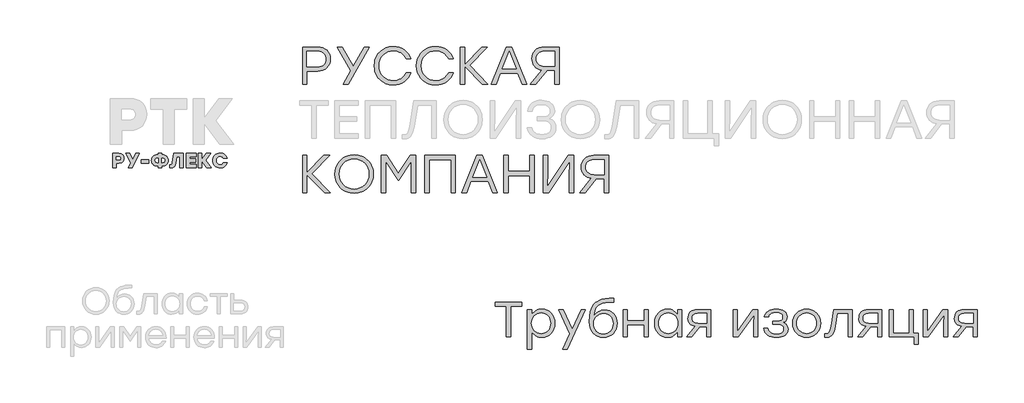
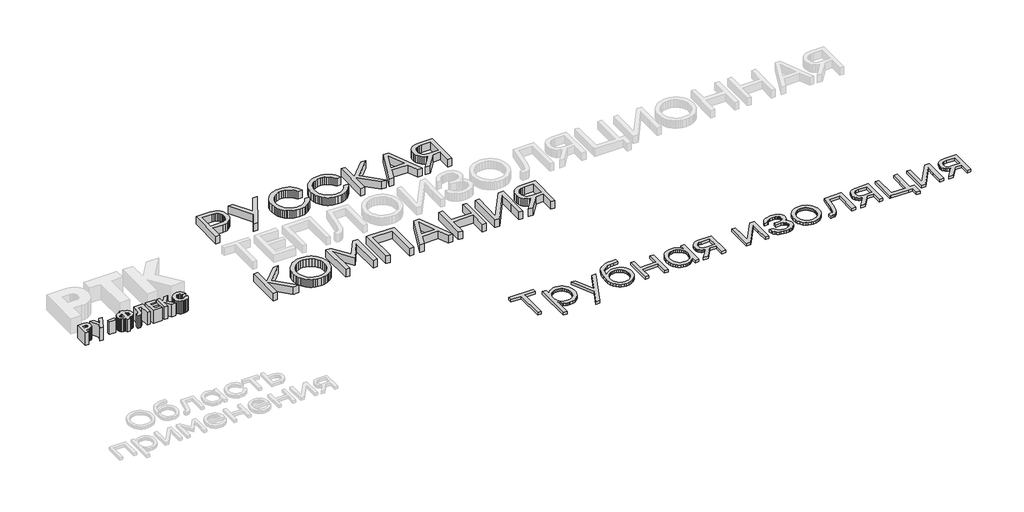
# One storey, part 34 of 41: 4 proxies.
"""IFC4 building model written with IfcOpenShell, lengths in millimetres."""

from ifc_helpers import new_model, si_unit, origin, origin_with_axes, place, context, project, spatial, polyline, outline, extrude, element, save

model = new_model("IFC4")

# Units and contexts
model_context = context("Model", 3, world=origin())
ifc_project = project(units=[si_unit("LENGTHUNIT", "METRE", prefix="MILLI")], contexts=[model_context])

# Site, building, storey
site = spatial("IfcSite", under=ifc_project)
building = spatial("IfcBuilding", under=site)
storey = spatial("IfcBuildingStorey", under=building, Elevation=0.0)

# Proxies
placement = place(None, origin())
element("IfcBuildingElementProxy", 1, Name="Generic Models", at=placement, inside=storey, context=model_context, shape_type="SweptSolid", body=[
    extrude(outline(polyline([(5211.6702065, -870.5811482), (5261.4552077, -874.188442), (5305.4598465, -885.0103236), (5343.6841229, -903.0467928), (5376.1280368, -928.2978498), (5401.9875529, -959.2532117), (5420.4586359, -994.402596), (5431.5412857, -1033.7460027), (5435.2355022, -1077.2834318), (5431.5086896, -1121.4401854), (5420.3282518, -1161.4246473), (5401.6941887, -1197.2368175), (5375.6065003, -1228.8766961), (5342.9996063, -1254.7362122), (5304.8079259, -1273.2072952), (5261.0314593, -1284.2899449), (5211.6702065, -1287.9841615), (5028.7847546, -1287.9841615), (5028.7847546, -1516.9386674), (4952.118895, -1516.9386674), (4952.118895, -870.5811482), (5211.6702065, -870.5811482)]), holes=[polyline([(5208.8886787, -1214.9690571), (5243.1959989, -1212.5460857), (5273.1028553, -1205.2771713), (5298.6092478, -1193.1623139), (5319.7151764, -1176.2015136), (5336.257661, -1155.5464968), (5348.0737214, -1132.3489896), (5355.1633577, -1106.6089923), (5357.5265697, -1078.3265047), (5355.1633577, -1050.0983438), (5348.0737214, -1024.5213266), (5336.257661, -1001.595453), (5319.7151764, -981.3207232), (5298.6092478, -964.7402099), (5273.1028553, -952.8969861), (5243.1959989, -945.7910518), (5208.8886787, -943.4224071), (5028.7847546, -943.4224071), (5028.7847546, -1214.9690571), (5208.8886787, -1214.9690571)])]), origin_with_axes(), (0.0, 0.0, 1.0), 150.0),
    extrude(outline(polyline([(6110.7990631, -870.5811482), (5745.2020048, -1516.9386674), (5658.453107, -1516.9386674), (5792.3141317, -1282.4211059), (5556.7534974, -870.5811482), (5643.6762407, -870.5811482), (5834.7324304, -1200.1921908), (6024.9193928, -870.5811482), (6110.7990631, -870.5811482)])), origin_with_axes(), (0.0, 0.0, 1.0), 150.0),
    extrude(outline(polyline([(6527.1590035, -1527.0217056), (6458.6475838, -1521.078363), (6426.6613724, -1513.6491848), (6396.1881601, -1503.2483353), (6367.2279467, -1489.8758145), (6339.7807323, -1473.5316224), (6313.846517, -1454.2157591), (6289.4253006, -1431.9282244), (6267.2396286, -1407.4037873), (6248.0120461, -1381.3772165), (6231.7425533, -1353.8485121), (6218.43115, -1324.817674), (6208.0778364, -1294.2847022), (6200.6826124, -1262.2495968), (6194.7664332, -1193.672985), (6200.6826124, -1125.0963732), (6208.0778364, -1093.0612678), (6218.43115, -1062.5282961), (6231.7425533, -1033.497458), (6248.0120461, -1005.9687536), (6267.2396286, -979.9421828), (6289.4253006, -955.4177457), (6313.846517, -933.130211), (6339.7807323, -913.8143476), (6367.2279467, -897.4701556), (6396.1881601, -884.0976348), (6426.6613724, -873.6967853), (6458.6475838, -866.2676071), (6527.1590035, -860.3242645), (6579.6277445, -863.9913177), (6628.9020746, -874.9924774), (6674.9819939, -893.3277436), (6717.8675023, -918.9971162), (6756.0809133, -950.8380036), (6788.1445403, -987.6878141), (6814.0583831, -1029.5465477), (6833.8224419, -1076.4142043), (6751.5935267, -1076.4142043), (6734.9423887, -1045.3175929), (6714.5427074, -1017.5675071), (6690.3944828, -993.1639469), (6662.4977148, -972.1069124), (6631.656439, -955.1461121), (6598.6746906, -943.0312547), (6563.5524696, -935.7623403), (6526.2897761, -933.3393689), (6474.0709381, -937.984303), (6426.4155441, -951.9191052), (6383.3235941, -975.1437757), (6344.7950881, -1007.6583144), (6313.0791521, -1047.1592685), (6290.4249122, -1091.3431855), (6276.8323682, -1140.2100652), (6272.3015202, -1193.7599078), (6276.8323682, -1247.3097503), (6290.4249122, -1296.1766301), (6313.0791521, -1340.360547), (6344.7950881, -1379.8615012), (6383.3235941, -1412.3760398), (6426.4155441, -1435.6007103), (6474.0709381, -1449.5355126), (6526.2897761, -1454.1804467), (6563.5524696, -1451.7574752), (6598.6746906, -1444.4885608), (6631.656439, -1432.3737035), (6662.4977148, -1415.4129032), (6690.3944828, -1394.3450033), (6714.5427074, -1369.9088471), (6734.9423887, -1342.1044346), (6751.5935267, -1310.9317657), (6833.8224419, -1310.9317657), (6814.0583831, -1357.8700471), (6788.1445403, -1399.7668094), (6756.0809133, -1436.6220525), (6717.8675023, -1468.4357766), (6674.9819939, -1494.0671205), (6628.9020746, -1512.3752233), (6579.6277445, -1523.360085), (6527.1590035, -1527.0217056)])), origin_with_axes(), (0.0, 0.0, 1.0), 150.0),
    extrude(outline(polyline([(7261.4823389, -1527.0217056), (7192.9709192, -1521.078363), (7160.9847078, -1513.6491848), (7130.5114954, -1503.2483353), (7101.5512821, -1489.8758145), (7074.1040677, -1473.5316224), (7048.1698524, -1454.2157591), (7023.748636, -1431.9282244), (7001.5629639, -1407.4037873), (6982.3353815, -1381.3772165), (6966.0658886, -1353.8485121), (6952.7544854, -1324.817674), (6942.4011718, -1294.2847022), (6935.0059478, -1262.2495968), (6929.0897685, -1193.672985), (6935.0059478, -1125.0963732), (6942.4011718, -1093.0612678), (6952.7544854, -1062.5282961), (6966.0658886, -1033.497458), (6982.3353815, -1005.9687536), (7001.5629639, -979.9421828), (7023.748636, -955.4177457), (7048.1698524, -933.130211), (7074.1040677, -913.8143476), (7101.5512821, -897.4701556), (7130.5114954, -884.0976348), (7160.9847078, -873.6967853), (7192.9709192, -866.2676071), (7261.4823389, -860.3242645), (7313.9510798, -863.9913177), (7363.2254099, -874.9924774), (7409.3053292, -893.3277436), (7452.1908377, -918.9971162), (7490.4042487, -950.8380036), (7522.4678757, -987.6878141), (7548.3817185, -1029.5465477), (7568.1457773, -1076.4142043), (7485.9168621, -1076.4142043), (7469.2657241, -1045.3175929), (7448.8660428, -1017.5675071), (7424.7178181, -993.1639469), (7396.8210502, -972.1069124), (7365.9797744, -955.1461121), (7332.998026, -943.0312547), (7297.875805, -935.7623403), (7260.6131115, -933.3393689), (7208.3942734, -937.984303), (7160.7388794, -951.9191052), (7117.6469294, -975.1437757), (7079.1184235, -1007.6583144), (7047.4024875, -1047.1592685), (7024.7482475, -1091.3431855), (7011.1557036, -1140.2100652), (7006.6248556, -1193.7599078), (7011.1557036, -1247.3097503), (7024.7482475, -1296.1766301), (7047.4024875, -1340.360547), (7079.1184235, -1379.8615012), (7117.6469294, -1412.3760398), (7160.7388794, -1435.6007103), (7208.3942734, -1449.5355126), (7260.6131115, -1454.1804467), (7297.875805, -1451.7574752), (7332.998026, -1444.4885608), (7365.9797744, -1432.3737035), (7396.8210502, -1415.4129032), (7424.7178181, -1394.3450033), (7448.8660428, -1369.9088471), (7469.2657241, -1342.1044346), (7485.9168621, -1310.9317657), (7568.1457773, -1310.9317657), (7548.3817185, -1357.8700471), (7522.4678757, -1399.7668094), (7490.4042487, -1436.6220525), (7452.1908377, -1468.4357766), (7409.3053292, -1494.0671205), (7363.2254099, -1512.3752233), (7313.9510798, -1523.360085), (7261.4823389, -1527.0217056)])), origin_with_axes(), (0.0, 0.0, 1.0), 150.0),
    extrude(outline(polyline([(8168.4342425, -1516.9386674), (8069.6900061, -1516.9386674), (7765.8080955, -1202.9737186), (7765.8080955, -1516.9386674), (7689.1422359, -1516.9386674), (7689.1422359, -870.5811482), (7765.8080955, -870.5811482), (7765.8080955, -1173.4199858), (8059.6069679, -870.5811482), (8157.4819768, -870.5811482), (7851.6877659, -1187.3276248), (8168.4342425, -1516.9386674)])), origin_with_axes(), (0.0, 0.0, 1.0), 150.0),
    extrude(outline(polyline([(8763.6811886, -1516.9386674), (8687.015329, -1322.9271043), (8386.9580191, -1322.9271043), (8310.2921595, -1516.9386674), (8229.1063173, -1516.9386674), (8487.6145558, -870.5811482), (8586.3587922, -870.5811482), (8845.0408763, -1516.9386674), (8763.6811886, -1516.9386674)]), holes=[polyline([(8416.5117518, -1250.0858454), (8658.5046692, -1250.0858454), (8537.5082105, -943.4224071), (8416.5117518, -1250.0858454)])]), origin_with_axes(), (0.0, 0.0, 1.0), 150.0),
    extrude(outline(polyline([(9151.5304691, -870.5811482), (9407.2571799, -870.5811482), (9407.2571799, -1516.9386674), (9330.7651658, -1516.9386674), (9330.7651658, -1271.2949948), (9196.7302957, -1271.2949948), (9002.8925781, -1516.9386674), (8907.7990969, -1516.9386674), (9108.0690975, -1268.513467), (9068.4757879, -1259.9461441), (9033.6632292, -1246.239514), (9003.6314214, -1227.3935768), (8978.3803645, -1203.4083323), (8958.3772682, -1175.153008), (8944.0893423, -1143.4968315), (8935.5165867, -1108.4398026), (8932.6590015, -1069.9819213), (8936.239132, -1027.3789118), (8946.9795235, -989.1003087), (8964.8801759, -955.1461121), (8989.9410894, -925.516322), (9021.5212085, -901.4821834), (9058.9794782, -884.3149416), (9102.3158984, -874.0145966), (9151.5304691, -870.5811482)]), holes=[polyline([(9158.8319796, -1202.1044911), (9330.7651658, -1202.1044911), (9330.7651658, -943.4224071), (9158.8319796, -943.4224071), (9124.2421604, -945.6443697), (9094.1831892, -952.3102576), (9068.6550661, -963.4200707), (9047.6577909, -978.9738091), (9031.2674211, -998.1131106), (9019.5600141, -1019.9796132), (9012.5355699, -1044.5733169), (9010.1940885, -1071.8942217), (9012.5355699, -1099.5519521), (9019.5600141, -1124.4607507), (9031.2674211, -1146.6206176), (9047.6577909, -1166.0315527), (9068.6550661, -1181.8134632), (9094.1831892, -1193.0862565), (9124.2421604, -1199.8499325), (9158.8319796, -1202.1044911)])]), origin_with_axes(), (0.0, 0.0, 1.0), 150.0),
])
element("IfcBuildingElementProxy", 2, Name="Generic Models", at=placement, inside=storey, context=model_context, shape_type="SweptSolid", body=[
    extrude(outline(polyline([(5431.4109015, -3396.9386674), (5332.6666652, -3396.9386674), (5028.7847546, -3082.9737186), (5028.7847546, -3396.9386674), (4952.118895, -3396.9386674), (4952.118895, -2750.5811482), (5028.7847546, -2750.5811482), (5028.7847546, -3053.4199858), (5322.5836269, -2750.5811482), (5420.4586359, -2750.5811482), (5114.664425, -3067.3276248), (5431.4109015, -3396.9386674)])), origin_with_axes(), (0.0, 0.0, 1.0), 150.0),
    extrude(outline(polyline([(5610.6455982, -2835.9392821), (5635.4674741, -2813.5295124), (5661.6909792, -2794.1077119), (5689.3161136, -2777.6738808), (5718.3428772, -2764.2280189), (5748.77127, -2753.7701263), (5780.601292, -2746.3002031), (5848.4662239, -2740.3242645), (5916.2713963, -2746.3002031), (5948.0267191, -2753.7701263), (5978.350533, -2764.2280189), (6007.242838, -2777.6738808), (6034.7036341, -2794.1077119), (6060.7329212, -2813.5295124), (6085.3306994, -2835.9392821), (6107.7200966, -2860.5710145), (6127.1242409, -2886.6587028), (6143.5431322, -2914.2023471), (6156.9767705, -2943.2019473), (6167.4251559, -2973.6575035), (6174.8882883, -3005.5690157), (6180.8587942, -3073.7599078), (6174.8556923, -3141.9453672), (6167.3518148, -3173.8500885), (6156.8463864, -3204.2961375), (6143.339407, -3233.2835142), (6126.8308766, -3260.8122187), (6107.3207952, -3286.8822508), (6084.8091629, -3311.4936107), (6060.0905078, -3333.8830079), (6033.9593581, -3353.2871522), (6006.4157138, -3369.7060435), (5977.4595749, -3383.1396819), (5947.0909415, -3393.5880672), (5915.3098135, -3401.0511996), (5847.5100737, -3407.0217056), (5779.7103339, -3401.0511996), (5747.9292059, -3393.5880672), (5717.5605725, -3383.1396819), (5688.6044336, -3369.7060435), (5661.0607893, -3353.2871522), (5634.9296396, -3333.8830079), (5610.2109845, -3311.4936107), (5587.6993522, -3286.8822508), (5568.1892708, -3260.8122187), (5551.6807404, -3233.2835142), (5538.173761, -3204.2961375), (5527.6683326, -3173.8500885), (5520.1644551, -3141.9453672), (5514.1613532, -3073.7599078), (5520.1916185, -3005.5690157), (5527.7294501, -2973.6575035), (5538.2824144, -2943.2019473), (5551.8505114, -2914.2023471), (5568.433741, -2886.6587028), (5588.0321033, -2860.5710145), (5610.6455982, -2835.9392821)]), holes=[polyline([(5847.5969964, -2813.3393689), (5795.6715227, -2818.0114663), (5748.026994, -2832.0277587), (5704.6634104, -2855.3882459), (5665.580772, -2888.0929281), (5633.2563768, -2927.7242664), (5610.1675231, -2971.8647219), (5596.3142109, -3020.5142948), (5591.6964402, -3073.672985), (5596.3142109, -3126.8371079), (5610.1675231, -3175.5029788), (5633.2563768, -3219.6705977), (5665.580772, -3259.3399647), (5704.6634104, -3292.0826756), (5748.026994, -3315.4703262), (5795.6715227, -3329.5029166), (5847.5969964, -3334.1804467), (5899.8701612, -3329.5355126), (5947.6885354, -3315.6007103), (5991.0521189, -3292.3760398), (6029.9609119, -3259.8615012), (6062.0571348, -3220.360547), (6084.9830084, -3176.1766301), (6098.7385325, -3127.3097503), (6103.3237072, -3073.7599078), (6098.7385325, -3020.2100652), (6084.9830084, -2971.3431855), (6062.0571348, -2927.1592685), (6029.9609119, -2887.6583144), (5991.0521189, -2855.1437757), (5947.6885354, -2831.9191052), (5899.8701612, -2817.984303), (5847.5969964, -2813.3393689)])]), origin_with_axes(), (0.0, 0.0, 1.0), 150.0),
    extrude(outline(polyline([(6820.2624939, -2750.5811482), (6914.4867477, -2750.5811482), (6914.4867477, -3396.9386674), (6837.8208881, -3396.9386674), (6837.8208881, -2849.3253846), (6618.9494205, -3179.9795001), (6611.64791, -3179.9795001), (6392.7764424, -2849.3253846), (6392.7764424, -3396.9386674), (6316.1105828, -3396.9386674), (6316.1105828, -2750.5811482), (6410.3348365, -2750.5811482), (6615.2986652, -3058.9830414), (6820.2624939, -2750.5811482)])), origin_with_axes(), (0.0, 0.0, 1.0), 150.0),
    extrude(outline(polyline([(7605.5225569, -2750.5811482), (7605.5225569, -3396.9386674), (7528.8566973, -3396.9386674), (7528.8566973, -2823.4224071), (7153.8719827, -2823.4224071), (7153.8719827, -3396.9386674), (7077.2061231, -3396.9386674), (7077.2061231, -2750.5811482), (7153.8719827, -2750.5811482), (7605.5225569, -2750.5811482)])), origin_with_axes(), (0.0, 0.0, 1.0), 150.0),
    extrude(outline(polyline([(8251.880076, -3396.9386674), (8175.2142164, -3202.9271043), (7875.1569066, -3202.9271043), (7798.491047, -3396.9386674), (7717.3052047, -3396.9386674), (7975.8134433, -2750.5811482), (8074.5576797, -2750.5811482), (8333.2397637, -3396.9386674), (8251.880076, -3396.9386674)]), holes=[polyline([(7904.7106393, -3130.0858454), (8146.7035566, -3130.0858454), (8025.707098, -2823.4224071), (7904.7106393, -3130.0858454)])]), origin_with_axes(), (0.0, 0.0, 1.0), 150.0),
    extrude(outline(polyline([(8897.3683677, -2750.5811482), (8974.0342273, -2750.5811482), (8974.0342273, -3396.9386674), (8897.3683677, -3396.9386674), (8897.3683677, -3099.6628853), (8522.3836532, -3099.6628853), (8522.3836532, -3396.9386674), (8445.7177936, -3396.9386674), (8445.7177936, -2750.5811482), (8522.3836532, -2750.5811482), (8522.3836532, -3026.6477809), (8897.3683677, -3026.6477809), (8897.3683677, -2750.5811482)])), origin_with_axes(), (0.0, 0.0, 1.0), 150.0),
    extrude(outline(polyline([(9565.9781092, -2750.5811482), (9660.2023629, -2750.5811482), (9660.2023629, -3396.9386674), (9583.5365033, -3396.9386674), (9583.5365033, -3126.4350902), (9589.9687863, -2852.9761398), (9225.2409555, -3396.9386674), (9131.0167017, -3396.9386674), (9131.0167017, -2750.5811482), (9207.6825613, -2750.5811482), (9207.6825613, -3021.0847253), (9201.2502783, -3294.3698303), (9565.9781092, -2750.5811482)])), origin_with_axes(), (0.0, 0.0, 1.0), 150.0),
    extrude(outline(polyline([(10008.2410271, -2750.5811482), (10263.9677378, -2750.5811482), (10263.9677378, -3396.9386674), (10187.4757237, -3396.9386674), (10187.4757237, -3151.2949948), (10053.4408536, -3151.2949948), (9859.603136, -3396.9386674), (9764.5096549, -3396.9386674), (9964.7796554, -3148.513467), (9925.1863458, -3139.9461441), (9890.3737872, -3126.239514), (9860.3419793, -3107.3935768), (9835.0909224, -3083.4083323), (9815.0878261, -3055.153008), (9800.7999002, -3023.4968315), (9792.2271446, -2988.4398026), (9789.3695594, -2949.9819213), (9792.9496899, -2907.3789118), (9803.6900814, -2869.1003087), (9821.5907339, -2835.1461121), (9846.6516473, -2805.516322), (9878.2317665, -2781.4821834), (9915.6900361, -2764.3149416), (9959.0264563, -2754.0145966), (10008.2410271, -2750.5811482)]), holes=[polyline([(10015.5425375, -3082.1044911), (10187.4757237, -3082.1044911), (10187.4757237, -2823.4224071), (10015.5425375, -2823.4224071), (9980.9527183, -2825.6443697), (9950.8937472, -2832.3102576), (9925.365624, -2843.4200707), (9904.3683488, -2858.9738091), (9887.977979, -2878.1131106), (9876.2705721, -2899.9796132), (9869.2461279, -2924.5733169), (9866.9046465, -2951.8942217), (9869.2461279, -2979.5519521), (9876.2705721, -3004.4607507), (9887.977979, -3026.6206176), (9904.3683488, -3046.0315527), (9925.365624, -3061.8134632), (9950.8937472, -3073.0862565), (9980.9527183, -3079.8499325), (10015.5425375, -3082.1044911)])]), origin_with_axes(), (0.0, 0.0, 1.0), 150.0),
])
element("IfcBuildingElementProxy", 3, Name="Generic Models", at=placement, inside=storey, context=model_context, shape_type="SweptSolid", body=[
    extrude(outline(polyline([(1763.453803, -2713.7348759), (1800.1730815, -2719.3574891), (1815.5134026, -2726.3857557), (1828.840845, -2736.2253289), (1839.6217227, -2748.6093657), (1847.3223495, -2763.2710231), (1851.9427257, -2780.2103011), (1853.4828511, -2799.4271998), (1851.9322201, -2818.6903232), (1847.280327, -2835.7682755), (1839.527172, -2850.6610568), (1828.6727549, -2863.368667), (1815.2927844, -2873.5318136), (1799.9629689, -2880.791204), (1763.453803, -2886.5987164), (1717.0609404, -2886.5987164), (1717.0609404, -2963.7184461), (1656.3468027, -2963.7184461), (1656.3468027, -2713.7348759), (1763.453803, -2713.7348759)]), holes=[polyline([(1760.9660698, -2828.7084921), (1774.556153, -2826.922535), (1784.2633552, -2821.5646636), (1790.0876766, -2812.634878), (1792.029117, -2800.1331781), (1790.0876766, -2787.6314782), (1784.2633552, -2778.7016926), (1774.556153, -2773.3438213), (1760.9660698, -2771.5578641), (1717.0609404, -2771.5578641), (1717.0609404, -2828.7084921), (1760.9660698, -2828.7084921)])]), origin_with_axes(), (0.0, 0.0, 1.0), 250.0),
    extrude(outline(polyline([(2119.8047773, -2713.7348759), (1995.8887687, -2963.7184461), (1927.9803755, -2963.7184461), (1970.1373681, -2879.0682807), (1885.8906189, -2713.7348759), (1954.0679562, -2713.7348759), (2003.7553845, -2812.9752604), (2052.2998003, -2713.7348759), (2119.8047773, -2713.7348759)])), origin_with_axes(), (0.0, 0.0, 1.0), 250.0),
    extrude(outline(polyline([(2278.3473428, -2829.4480884), (2278.3473428, -2887.2710767), (2155.5071107, -2887.2710767), (2155.5071107, -2829.4480884), (2278.3473428, -2829.4480884)])), origin_with_axes(), (0.0, 0.0, 1.0), 250.0),
    extrude(outline(polyline([(2519.0523405, -2740.1586368), (2540.1035221, -2741.8101218), (2559.3519377, -2746.764577), (2576.7975871, -2755.0220023), (2592.4404703, -2766.5823977), (2605.339283, -2780.8658524), (2614.5527206, -2797.2924557), (2620.0807832, -2815.8622076), (2621.9234707, -2836.5751079), (2620.09339, -2857.2880083), (2614.6031477, -2875.8577601), (2605.4527438, -2892.2843634), (2592.6421784, -2906.5678181), (2577.0623289, -2918.1282135), (2559.6040728, -2926.3856388), (2540.26741, -2931.340094), (2519.0523405, -2932.9915791), (2505.1344817, -2932.9915791), (2505.1344817, -2963.7184461), (2444.420344, -2963.7184461), (2444.420344, -2932.9915791), (2430.5024852, -2932.9915791), (2409.2874157, -2931.340094), (2389.9507528, -2926.3856388), (2372.4924967, -2918.1282135), (2356.9126472, -2906.5678181), (2344.1020818, -2892.2843634), (2334.9516779, -2875.8577601), (2329.4614356, -2857.2880083), (2327.6313549, -2836.5751079), (2329.4719413, -2815.8622076), (2334.9937005, -2797.2924557), (2344.1966325, -2780.8658524), (2357.0807373, -2766.5823977), (2372.7131149, -2755.0220023), (2390.1608654, -2746.764577), (2409.4239889, -2741.8101218), (2430.5024852, -2740.1586368), (2444.420344, -2740.1586368), (2444.420344, -2713.7348759), (2505.1344817, -2713.7348759), (2505.1344817, -2740.1586368), (2519.0523405, -2740.1586368)]), holes=[polyline([(2519.0523405, -2875.1685908), (2536.0798658, -2872.7985206), (2549.2413192, -2865.6883102), (2557.6626323, -2853.6698693), (2560.4697367, -2836.5751079), (2557.6626323, -2819.6904592), (2549.2413192, -2807.6299958), (2536.0798658, -2800.3937177), (2519.0523405, -2797.9816251), (2505.1344817, -2797.9816251), (2505.1344817, -2875.1685908), (2519.0523405, -2875.1685908)]), polyline([(2430.5024852, -2875.1685908), (2444.420344, -2875.1685908), (2444.420344, -2797.9816251), (2430.5024852, -2797.9816251), (2413.4749598, -2800.3937177), (2400.3135064, -2807.6299958), (2391.8921933, -2819.6904592), (2389.0850889, -2836.5751079), (2391.8921933, -2853.6698693), (2400.3135064, -2865.6883102), (2413.4749598, -2872.7985206), (2430.5024852, -2875.1685908)])]), origin_with_axes(), (0.0, 0.0, 1.0), 250.0),
    extrude(outline(polyline([(2715.7849726, -2713.7348759), (2882.9337504, -2713.7348759), (2882.9337504, -2963.7184461), (2822.2196127, -2963.7184461), (2822.2196127, -2771.5578641), (2767.2205378, -2771.5578641), (2748.9995729, -2886.5987164), (2739.3890224, -2922.3682859), (2723.8028696, -2947.9179784), (2702.2411143, -2963.2477939), (2674.7037566, -2968.3577324), (2647.2042191, -2965.1304028), (2647.2042191, -2910.5347441), (2661.8616743, -2911.9467008), (2672.7539116, -2910.2910135), (2680.4188193, -2905.3239515), (2685.6800389, -2895.8016484), (2689.3612117, -2880.4802374), (2715.7849726, -2713.7348759)])), origin_with_axes(), (0.0, 0.0, 1.0), 250.0),
    extrude(outline(polyline([(3106.4935597, -2771.5578641), (2995.0834532, -2771.5578641), (2995.0834532, -2808.7393903), (3096.4753908, -2808.7393903), (3096.4753908, -2866.5623786), (2995.0834532, -2866.5623786), (2995.0834532, -2905.8282218), (3106.4935597, -2905.8282218), (3106.4935597, -2963.7184461), (2934.3693155, -2963.7184461), (2934.3693155, -2713.7348759), (3106.4935597, -2713.7348759), (3106.4935597, -2771.5578641)])), origin_with_axes(), (0.0, 0.0, 1.0), 250.0),
    extrude(outline(polyline([(3365.2178141, -2963.7184461), (3289.5100411, -2963.7184461), (3205.9356523, -2850.4929667), (3205.9356523, -2963.7184461), (3145.2215146, -2963.7184461), (3145.2215146, -2713.7348759), (3205.9356523, -2713.7348759), (3205.9356523, -2820.1695159), (3284.1311585, -2713.7348759), (3358.763155, -2713.7348759), (3268.801343, -2834.4235549), (3365.2178141, -2963.7184461)])), origin_with_axes(), (0.0, 0.0, 1.0), 250.0),
    extrude(outline(polyline([(3519.7934537, -2968.3577324), (3492.9620743, -2966.0359881), (3468.5427877, -2959.0707553), (3446.5355937, -2947.462034), (3426.9404923, -2931.2098242), (3410.8500692, -2911.4970598), (3399.3569098, -2889.5066748), (3392.4610142, -2865.2386692), (3390.1623823, -2838.693043), (3392.4610142, -2812.1495179), (3399.3569098, -2787.8878156), (3410.8500692, -2765.9079363), (3426.9404923, -2746.2098797), (3446.5355937, -2729.9723778), (3468.5427877, -2718.3741621), (3492.9620743, -2711.4152327), (3519.7934537, -2709.0955896), (3541.7145016, -2710.7008499), (3562.0933229, -2715.5166307), (3580.9299177, -2723.5429322), (3598.2242861, -2734.7797542), (3613.3292811, -2748.6093657), (3625.5977559, -2764.4140356), (3635.0297107, -2782.1937641), (3641.6251453, -2801.948551), (3576.6079015, -2801.948551), (3567.2536884, -2787.2742868), (3554.2519206, -2776.1971504), (3538.2245312, -2769.238221), (3519.7934537, -2766.9185779), (3492.0669947, -2771.9192578), (3470.3413515, -2786.9212977), (3456.2974252, -2809.8739984), (3451.6161164, -2838.726661), (3456.2974252, -2867.5793236), (3470.3413515, -2890.5320243), (3492.0669947, -2905.5340641), (3519.7934537, -2910.5347441), (3538.2245312, -2908.2066964), (3554.2519206, -2901.2225535), (3567.2536884, -2890.1370126), (3576.6079015, -2875.504771), (3641.6251453, -2875.504771), (3635.0297107, -2895.2322432), (3625.5977559, -2912.9972638), (3613.3292811, -2928.7998326), (3598.2242861, -2942.6399498), (3580.9299177, -2953.8914797), (3562.0933229, -2961.9282867), (3541.7145016, -2966.7503709), (3519.7934537, -2968.3577324)])), origin_with_axes(), (0.0, 0.0, 1.0), 250.0),
])
element("IfcBuildingElementProxy", 4, Name="Generic Models", at=placement, inside=storey, context=model_context, shape_type="SweptSolid", body=[
    extrude(outline(polyline([(8758.1598092, -5298.1485805), (8758.1598092, -5366.0523892), (8563.5238324, -5366.0523892), (8563.5238324, -5900.6935945), (8491.2443606, -5900.6935945), (8491.2443606, -5366.0523892), (8297.5807533, -5366.0523892), (8297.5807533, -5298.1485805), (8758.1598092, -5298.1485805)])), origin_with_axes(), (0.0, 0.0, 1.0), 50.0),
    extrude(outline(polyline([(9108.861103, -5417.7500384), (9154.9473694, -5422.0801216), (9196.7795189, -5435.0703714), (9234.3575515, -5456.7207878), (9267.6814672, -5487.0313707), (9294.9787172, -5524.0675098), (9314.476753, -5565.8945948), (9326.1755745, -5612.5126258), (9330.0751816, -5663.9216027), (9326.1451879, -5715.3305796), (9314.3552068, -5761.9486106), (9294.7052383, -5803.7756957), (9267.1952824, -5840.8118348), (9233.6586608, -5871.1224177), (9195.9286955, -5892.772834), (9154.0053864, -5905.7630838), (9107.8887335, -5910.0931671), (9078.6518087, -5908.3459405), (9051.0658864, -5903.1042608), (9025.1309666, -5894.3681279), (9000.8470493, -5882.1375418), (8978.5990308, -5866.8379142), (8958.7718074, -5848.8946569), (8941.3653791, -5828.3077698), (8926.3797459, -5805.0772529), (8926.3797459, -6115.9113941), (8854.9105821, -6115.9113941), (8854.9105821, -5427.1496109), (8926.3797459, -5427.1496109), (8926.3797459, -5524.5486301), (8941.3907012, -5500.9332169), (8958.8730959, -5480.0019489), (8978.8269299, -5461.7548261), (9001.2522033, -5446.1918485), (9025.7235043, -5433.7485565), (9051.8154212, -5424.8604909), (9079.5279542, -5419.5276515), (9108.861103, -5417.7500384)]), holes=[polyline([(9095.0858674, -5842.1893584), (9129.2048978, -5839.0696726), (9160.0928251, -5829.7106155), (9187.7496493, -5814.1121869), (9212.1753705, -5792.2743868), (9232.1342689, -5765.5342234), (9246.390625, -5735.228705), (9254.9444386, -5701.3578314), (9257.7957098, -5663.9216027), (9254.9444386, -5626.8854636), (9246.390625, -5593.2424892), (9232.1342689, -5562.9926794), (9212.1753705, -5536.1360343), (9187.7496493, -5514.1209793), (9160.0928251, -5498.3959401), (9129.2048978, -5488.9609165), (9095.0858674, -5485.8159087), (9060.024854, -5488.9609165), (9028.0936551, -5498.3959401), (8999.2922708, -5514.1209793), (8973.6207012, -5536.1360343), (8952.5273715, -5562.9926794), (8937.4607075, -5593.2424892), (8928.4207091, -5626.8854636), (8925.4073763, -5663.9216027), (8928.4207091, -5700.9628063), (8937.4607075, -5734.620974), (8952.5273715, -5764.8961059), (8973.6207012, -5791.788202), (8999.2922708, -5813.8387079), (9028.0936551, -5829.5890693), (9060.024854, -5839.0392861), (9095.0858674, -5842.1893584)])]), origin_with_axes(), (0.0, 0.0, 1.0), 50.0),
    extrude(outline(polyline([(9786.1165129, -5427.1496109), (9862.7716478, -5427.1496109), (9543.348242, -6115.9113941), (9466.6931071, -6115.9113941), (9592.4529056, -5842.9996663), (9400.4099143, -5427.1496109), (9477.0650492, -5427.1496109), (9630.2132575, -5766.3445314), (9786.1165129, -5427.1496109)])), origin_with_axes(), (0.0, 0.0, 1.0), 50.0),
    extrude(outline(polyline([(10195.3220428, -5434.9285675), (10240.6030657, -5438.939592), (10281.802162, -5450.9726655), (10318.9193319, -5471.0277881), (10351.9545754, -5499.1049596), (10379.0745706, -5533.5835641), (10398.4459958, -5572.8429858), (10410.0688509, -5616.8832245), (10413.9431359, -5665.7042803), (10409.6687613, -5717.3867361), (10396.8456375, -5764.014896), (10375.4737645, -5805.5887598), (10345.5531424, -5842.1083276), (10309.170314, -5871.8516949), (10268.4118226, -5893.0969572), (10223.2776682, -5905.8441146), (10173.7678506, -5910.0931671), (10123.8782011, -5905.6314088), (10078.414859, -5892.2461338), (10037.3778242, -5869.9373423), (10000.7670968, -5838.705034), (9970.6084467, -5799.237971), (9948.9276438, -5752.2249149), (9935.7246881, -5697.6658657), (9930.9995797, -5635.5608234), (9935.7398814, -5540.5522128), (9949.9607864, -5460.3722381), (9972.3658021, -5394.6157455), (9986.1511666, -5366.9943723), (10001.6584356, -5342.877581), (10019.4497602, -5321.6930917), (10040.0872915, -5302.8686245), (10063.5710297, -5286.4041792), (10089.9009746, -5272.2997559), (10147.0276872, -5250.6442751), (10207.3956317, -5237.375482), (10276.0489754, -5230.5688949), (10358.0318853, -5228.3000326), (10358.0318853, -5295.5555949), (10273.5370206, -5298.0270343), (10206.099139, -5305.4413523), (10150.3904653, -5319.7432882), (10101.0832247, -5342.877581), (10079.5391613, -5358.0505979), (10061.0134951, -5376.0191774), (10045.5062262, -5396.7833194), (10033.0173544, -5420.3430239), (10015.0487749, -5477.5912827), (10005.0617291, -5549.5061159), (10019.5662419, -5523.5408096), (10037.3119867, -5500.7458332), (10058.2989634, -5481.1211868), (10082.527172, -5464.6668704), (10108.9634698, -5451.6563629), (10136.5747143, -5442.3631433), (10165.3609053, -5436.7872115), (10195.3220428, -5434.9285675)]), holes=[polyline([(10050.6010376, -5798.7568506), (10075.9484841, -5820.3819448), (10104.506776, -5835.8284407), (10136.2759132, -5845.0963382), (10171.2558958, -5848.1856374), (10206.3321025, -5845.0912738), (10238.389912, -5835.808183), (10267.4293242, -5820.336365), (10293.4503392, -5798.6758198), (10314.8981786, -5772.0116229), (10330.2180638, -5741.5288495), (10339.409995, -5707.2274998), (10342.473972, -5669.1075738), (10339.5973787, -5632.588006), (10330.9675987, -5599.6844376), (10316.5846321, -5570.3968685), (10296.4484788, -5544.7252988), (10271.8455027, -5523.8446751), (10244.0620678, -5508.9299438), (10213.0981741, -5499.9811051), (10178.9538216, -5496.9981588), (10144.1004496, -5499.9811051), (10111.8198055, -5508.9299438), (10082.1118892, -5523.8446751), (10054.9767007, -5544.7252988), (10032.3589792, -5570.3462243), (10016.2034638, -5599.4818606), (10006.5101546, -5632.1322078), (10003.2790515, -5668.2972658), (10006.2366757, -5706.776766), (10015.109548, -5741.3465302), (10029.8976687, -5772.0065584), (10050.6010376, -5798.7568506)])]), origin_with_axes(), (0.0, 0.0, 1.0), 50.0),
    extrude(outline(polyline([(10882.7873332, -5427.1496109), (10954.2564971, -5427.1496109), (10954.2564971, -5900.6935945), (10882.7873332, -5900.6935945), (10882.7873332, -5692.282382), (10591.8867683, -5692.282382), (10591.8867683, -5900.6935945), (10520.4176045, -5900.6935945), (10520.4176045, -5427.1496109), (10591.8867683, -5427.1496109), (10591.8867683, -5624.3785733), (10882.7873332, -5624.3785733), (10882.7873332, -5427.1496109)])), origin_with_axes(), (0.0, 0.0, 1.0), 50.0),
    extrude(outline(polyline([(11465.3987709, -5427.1496109), (11536.7058732, -5427.1496109), (11536.7058732, -5900.6935945), (11465.3987709, -5900.6935945), (11465.3987709, -5805.0772529), (11449.987726, -5828.3077698), (11432.2774322, -5848.8946569), (11412.2678896, -5866.8379142), (11389.959098, -5882.1375418), (11365.6650519, -5894.3681279), (11339.6997455, -5903.1042608), (11312.063179, -5908.3459405), (11282.7553522, -5910.0931671), (11236.6690858, -5905.7630838), (11194.8369364, -5892.772834), (11157.2589038, -5871.1224177), (11123.9349881, -5840.8118348), (11096.637738, -5803.7756957), (11077.1397022, -5761.9486106), (11065.4408808, -5715.3305796), (11061.5412736, -5663.9216027), (11065.4408808, -5612.5126258), (11077.1397022, -5565.8945948), (11096.637738, -5524.0675098), (11123.9349881, -5487.0313707), (11157.2589038, -5456.7207878), (11194.8369364, -5435.0703714), (11236.6690858, -5422.0801216), (11282.7553522, -5417.7500384), (11312.0935655, -5419.5276515), (11339.8212917, -5424.8604909), (11365.9385308, -5433.7485565), (11390.4452828, -5446.1918485), (11412.9060071, -5461.7548261), (11432.8851632, -5480.0019489), (11450.3827512, -5500.9332169), (11465.3987709, -5524.5486301), (11465.3987709, -5427.1496109)]), holes=[polyline([(11296.5305879, -5842.1893584), (11331.5916013, -5839.0392861), (11363.5228001, -5829.5890693), (11392.3241844, -5813.8387079), (11417.9957541, -5791.788202), (11439.0890837, -5764.8961059), (11454.1557477, -5734.620974), (11463.1957461, -5700.9628063), (11466.2090789, -5663.9216027), (11463.1957461, -5626.8854636), (11454.1557477, -5593.2424892), (11439.0890837, -5562.9926794), (11417.9957541, -5536.1360343), (11392.3241844, -5514.1209793), (11363.5228001, -5498.3959401), (11331.5916013, -5488.9609165), (11296.5305879, -5485.8159087), (11262.0823699, -5488.9609165), (11231.0171877, -5498.3959401), (11203.3350413, -5514.1209793), (11179.0359307, -5536.1360343), (11159.2542872, -5562.9926794), (11145.1245418, -5593.2424892), (11136.6466945, -5626.8854636), (11133.8207455, -5663.9216027), (11136.6770811, -5701.3578314), (11145.246088, -5735.228705), (11159.5277661, -5765.5342234), (11179.5221155, -5792.2743868), (11203.9731588, -5814.1121869), (11231.6249187, -5829.7106155), (11262.477395, -5839.0696726), (11296.5305879, -5842.1893584)])]), origin_with_axes(), (0.0, 0.0, 1.0), 50.0),
    extrude(outline(polyline([(11811.0761553, -5427.1496109), (12041.851868, -5427.1496109), (12041.851868, -5900.6935945), (11970.3827042, -5900.6935945), (11970.3827042, -5721.6155309), (11846.4055832, -5721.6155309), (11708.6532266, -5900.6935945), (11620.0055335, -5900.6935945), (11768.1298323, -5717.4019294), (11740.4324927, -5710.7371463), (11715.8447099, -5701.114739), (11694.366484, -5688.5347076), (11675.997815, -5672.9970521), (11661.2856607, -5654.5625456), (11650.7769791, -5633.2919611), (11644.4717701, -5609.1852987), (11642.3700338, -5582.2425583), (11645.1149521, -5546.9131304), (11653.3497069, -5515.9593656), (11667.0742983, -5489.3812638), (11686.2887263, -5467.1788251), (11710.5574503, -5449.6660439), (11739.4449298, -5437.1569145), (11772.9511648, -5429.6514368), (11811.0761553, -5427.1496109)]), holes=[polyline([(11817.2344959, -5661.3286172), (11970.3827042, -5661.3286172), (11970.3827042, -5491.8121877), (11813.6691408, -5491.8121877), (11770.3480504, -5497.3526686), (11753.3290506, -5504.2782696), (11739.4044144, -5513.974111), (11728.5741418, -5526.4401928), (11720.8382328, -5541.6765151), (11716.1966874, -5559.6830777), (11714.6495056, -5580.4598808), (11716.2523961, -5599.4134909), (11721.0610675, -5615.839953), (11729.0755199, -5629.739267), (11740.2957532, -5641.1114331), (11754.7217675, -5649.9564511), (11772.3535627, -5656.2743212), (11817.2344959, -5661.3286172)])]), origin_with_axes(), (0.0, 0.0, 1.0), 50.0),
    extrude(outline(polyline([(12768.8601878, -5427.1496109), (12856.6975729, -5427.1496109), (12856.6975729, -5900.6935945), (12785.228409, -5900.6935945), (12785.228409, -5673.4832369), (12789.6040721, -5514.176688), (12516.6923444, -5900.6935945), (12428.8549593, -5900.6935945), (12428.8549593, -5427.1496109), (12500.3241232, -5427.1496109), (12500.3241232, -5654.5220302), (12495.9484601, -5812.8562095), (12768.8601878, -5427.1496109)])), origin_with_axes(), (0.0, 0.0, 1.0), 50.0),
    extrude(outline(polyline([(13297.9912989, -5650.1463671), (13334.050004, -5668.3377812), (13348.1291051, -5680.7456222), (13359.5747054, -5695.3615524), (13374.76798, -5729.2729413), (13379.8324049, -5768.127209), (13376.520271, -5798.7669795), (13366.5838694, -5826.1857758), (13350.0232, -5850.3835978), (13326.838263, -5871.3604457), (13297.9001392, -5888.3060113), (13264.0799099, -5900.4099867), (13225.377575, -5907.672372), (13181.7931345, -5910.0931671), (13135.1193948, -5907.5508258), (13093.6316263, -5899.923802), (13057.3298288, -5887.2120955), (13026.2140023, -5869.4157065), (13000.2841469, -5846.5346349), (12979.5402627, -5818.5688807), (12963.9823494, -5785.518444), (12953.6104073, -5747.3833247), (13026.0519407, -5747.3833247), (13033.5143708, -5772.4142446), (13044.3142568, -5794.1077086), (13058.4515989, -5812.4637166), (13075.9263969, -5827.4822685), (13096.7386509, -5839.1633645), (13120.8883609, -5847.5070045), (13148.375527, -5852.5131885), (13179.200149, -5854.1819165), (13209.4145078, -5852.6220736), (13235.557069, -5847.942545), (13257.6278326, -5840.1433307), (13275.6267986, -5829.2244307), (13289.5944824, -5815.722674), (13299.5713994, -5800.1748896), (13305.5575496, -5782.5810776), (13307.552933, -5762.9412379), (13306.0057512, -5744.3674597), (13301.3642058, -5728.2701852), (13293.6282968, -5714.6494145), (13282.7980242, -5703.5051476), (13268.873388, -5694.8373844), (13251.8543882, -5688.646125), (13208.5332978, -5683.6931174), (13112.9169562, -5683.6931174), (13112.9169562, -5626.9715588), (13188.5997215, -5626.9715588), (13233.8351645, -5622.6161534), (13251.6062314, -5617.1718967), (13266.1461952, -5609.5499373), (13277.455056, -5599.7502751), (13285.5328137, -5587.7729103), (13290.3794683, -5573.6178428), (13291.9950198, -5557.2850725), (13290.1920846, -5539.5697143), (13284.7832788, -5523.5357452), (13275.7686025, -5509.1831651), (13263.1480557, -5496.511974), (13246.6582883, -5486.1602896), (13226.0359502, -5478.7662293), (13201.2810414, -5474.3297931), (13172.3935619, -5472.850981), (13123.4408311, -5477.9660501), (13102.9678935, -5484.3598865), (13085.1639079, -5493.3112575), (13070.0288741, -5504.820163), (13057.5627923, -5518.8866031), (13047.7656624, -5535.5105778), (13040.6374844, -5554.692087), (12968.3580125, -5554.692087), (12977.9652265, -5524.1434762), (12992.2013248, -5497.1602204), (13011.0663075, -5473.7423198), (13034.5601745, -5453.8897743), (13062.6322816, -5438.0786398), (13095.2319845, -5426.7849723), (13132.3592833, -5420.0087719), (13174.0141779, -5417.7500384), (13216.3679631, -5420.0898027), (13253.8092562, -5427.1090955), (13286.3380572, -5438.807917), (13313.9543661, -5455.186267), (13335.969421, -5475.3325492), (13351.6944602, -5498.335167), (13361.1294838, -5524.1941204), (13364.2744916, -5552.9094094), (13360.1317921, -5585.1191517), (13347.7036934, -5612.061892), (13326.9901957, -5633.7376305), (13297.9912989, -5650.1463671)])), origin_with_axes(), (0.0, 0.0, 1.0), 50.0),
    extrude(outline(polyline([(13701.2005498, -5417.7500384), (13750.4470173, -5422.1358303), (13795.7634911, -5435.2932061), (13837.1499712, -5457.2221658), (13874.6064575, -5487.9227094), (13905.6615109, -5525.2424564), (13927.8436918, -5567.029026), (13941.1530004, -5613.2824184), (13945.5894366, -5664.0026335), (13941.1783225, -5714.7177842), (13927.9449803, -5760.9559834), (13905.88941, -5802.7172309), (13875.0116115, -5840.0015268), (13837.6817358, -5870.6666194), (13796.2699336, -5892.570257), (13750.7762049, -5905.7124396), (13701.2005498, -5910.0931671), (13651.9085025, -5905.682053), (13606.6173508, -5892.4487108), (13565.3270948, -5870.3931405), (13528.0377344, -5839.515342), (13497.159936, -5802.0740489), (13475.1043656, -5760.3279947), (13461.8710234, -5714.2771793), (13457.4599094, -5663.9216027), (13461.90141, -5613.5660262), (13475.2259118, -5567.5152108), (13497.4334149, -5525.7691565), (13528.5239192, -5488.3278634), (13565.9652123, -5457.450065), (13607.2250818, -5435.3944946), (13652.3035276, -5422.1611524), (13701.2005498, -5417.7500384)]), holes=[polyline([(13823.3949932, -5536.2170651), (13797.0346617, -5514.1665591), (13767.8686389, -5498.4161978), (13735.8969246, -5488.965981), (13701.119519, -5485.8159087), (13666.3674355, -5488.9609165), (13634.4716876, -5498.3959401), (13605.4322754, -5514.1209793), (13579.2491988, -5536.1360343), (13557.5886536, -5562.9926794), (13542.1168356, -5593.2424892), (13532.8337448, -5626.8854636), (13529.7393812, -5663.9216027), (13532.8337448, -5700.9628063), (13542.1168356, -5734.620974), (13557.5886536, -5764.8961059), (13579.2491988, -5791.788202), (13605.4373398, -5813.8387079), (13634.4919453, -5829.5890693), (13666.4130153, -5839.0392861), (13701.2005498, -5842.1893584), (13736.2716921, -5839.0392861), (13768.395339, -5829.5890693), (13797.5714908, -5813.8387079), (13823.8001472, -5791.788202), (13845.4606924, -5764.8961059), (13860.9325104, -5734.620974), (13870.2156012, -5700.9628063), (13873.3099648, -5663.9216027), (13870.190279, -5626.890528), (13860.8312219, -5593.2627469), (13845.2327933, -5563.0382592), (13823.3949932, -5536.2170651)])]), origin_with_axes(), (0.0, 0.0, 1.0), 50.0),
    extrude(outline(polyline([(14174.4204102, -5427.1496109), (14496.2747399, -5427.1496109), (14496.2747399, -5900.6935945), (14424.8055761, -5900.6935945), (14424.8055761, -5494.4051733), (14234.5452623, -5494.4051733), (14199.377896, -5716.4295598), (14189.6136848, -5764.8150751), (14177.6616421, -5805.7660147), (14163.5217679, -5839.2823785), (14147.1940621, -5865.3641666), (14128.3442727, -5884.9331043), (14106.6381477, -5898.910917), (14082.075687, -5907.2976046), (14054.6568907, -5910.0931671), (14015.9241693, -5907.5001816), (14015.9241693, -5842.1893584), (14040.8816551, -5843.8099743), (14058.2982122, -5842.0627477), (14073.4357782, -5836.821068), (14086.2943529, -5828.0849351), (14096.8739365, -5815.854349), (14114.2753004, -5775.9669387), (14128.7190401, -5712.2159583), (14174.4204102, -5427.1496109)])), origin_with_axes(), (0.0, 0.0, 1.0), 50.0),
    extrude(outline(polyline([(14777.451609, -5427.1496109), (15008.2273218, -5427.1496109), (15008.2273218, -5900.6935945), (14936.7581579, -5900.6935945), (14936.7581579, -5721.6155309), (14812.781037, -5721.6155309), (14675.0286803, -5900.6935945), (14586.3809873, -5900.6935945), (14734.5052861, -5717.4019294), (14706.8079464, -5710.7371463), (14682.2201637, -5701.114739), (14660.7419378, -5688.5347076), (14642.3732687, -5672.9970521), (14627.6611145, -5654.5625456), (14617.1524329, -5633.2919611), (14610.8472239, -5609.1852987), (14608.7454876, -5582.2425583), (14611.4904058, -5546.9131304), (14619.7251607, -5515.9593656), (14633.4497521, -5489.3812638), (14652.6641801, -5467.1788251), (14676.9329041, -5449.6660439), (14705.8203836, -5437.1569145), (14739.3266186, -5429.6514368), (14777.451609, -5427.1496109)]), holes=[polyline([(14783.6099497, -5661.3286172), (14936.7581579, -5661.3286172), (14936.7581579, -5491.8121877), (14780.0445946, -5491.8121877), (14736.7235042, -5497.3526686), (14719.7045044, -5504.2782696), (14705.7798682, -5513.974111), (14694.9495956, -5526.4401928), (14687.2136866, -5541.6765151), (14682.5721412, -5559.6830777), (14681.0249594, -5580.4598808), (14682.6278499, -5599.4134909), (14687.4365213, -5615.839953), (14695.4509737, -5629.739267), (14706.671207, -5641.1114331), (14721.0972212, -5649.9564511), (14738.7290164, -5656.2743212), (14783.6099497, -5661.3286172)])]), origin_with_axes(), (0.0, 0.0, 1.0), 50.0),
    extrude(outline(polyline([(15553.4025308, -5833.6000938), (15639.6192999, -5833.6000938), (15639.6192999, -6027.263701), (15568.1501361, -6027.263701), (15568.1501361, -5900.6935945), (15482.0954286, -5900.6935945), (15159.2687293, -5900.6935945), (15135.9318595, -5900.6935945), (15135.9318595, -5427.1496109), (15207.4010233, -5427.1496109), (15207.4010233, -5833.6000938), (15482.0954286, -5833.6000938), (15482.0954286, -5427.1496109), (15553.4025308, -5427.1496109), (15553.4025308, -5833.6000938)])), origin_with_axes(), (0.0, 0.0, 1.0), 50.0),
    extrude(outline(polyline([(16067.1377903, -5427.1496109), (16154.9751753, -5427.1496109), (16154.9751753, -5900.6935945), (16083.5060114, -5900.6935945), (16083.5060114, -5673.4832369), (16087.8816745, -5514.176688), (15814.9699468, -5900.6935945), (15727.1325618, -5900.6935945), (15727.1325618, -5427.1496109), (15798.6017256, -5427.1496109), (15798.6017256, -5654.5220302), (15794.2260625, -5812.8562095), (16067.1377903, -5427.1496109)])), origin_with_axes(), (0.0, 0.0, 1.0), 50.0),
    extrude(outline(polyline([(16436.9623524, -5427.1496109), (16667.7380651, -5427.1496109), (16667.7380651, -5900.6935945), (16596.2689013, -5900.6935945), (16596.2689013, -5721.6155309), (16472.2917803, -5721.6155309), (16334.5394237, -5900.6935945), (16245.8917307, -5900.6935945), (16394.0160294, -5717.4019294), (16366.3186898, -5710.7371463), (16341.730907, -5701.114739), (16320.2526811, -5688.5347076), (16301.8840121, -5672.9970521), (16287.1718578, -5654.5625456), (16276.6631762, -5633.2919611), (16270.3579672, -5609.1852987), (16268.2562309, -5582.2425583), (16271.0011492, -5546.9131304), (16279.2359041, -5515.9593656), (16292.9604955, -5489.3812638), (16312.1749234, -5467.1788251), (16336.4436475, -5449.6660439), (16365.3311269, -5437.1569145), (16398.8373619, -5429.6514368), (16436.9623524, -5427.1496109)]), holes=[polyline([(16443.120693, -5661.3286172), (16596.2689013, -5661.3286172), (16596.2689013, -5491.8121877), (16439.5553379, -5491.8121877), (16396.2342475, -5497.3526686), (16379.2152477, -5504.2782696), (16365.2906115, -5513.974111), (16354.460339, -5526.4401928), (16346.72443, -5541.6765151), (16342.0828846, -5559.6830777), (16340.5357028, -5580.4598808), (16342.1385932, -5599.4134909), (16346.9472646, -5615.839953), (16354.961717, -5629.739267), (16366.1819503, -5641.1114331), (16380.6079646, -5649.9564511), (16398.2397598, -5656.2743212), (16443.120693, -5661.3286172)])]), origin_with_axes(), (0.0, 0.0, 1.0), 50.0),
])

save(model, "model.ifc")
